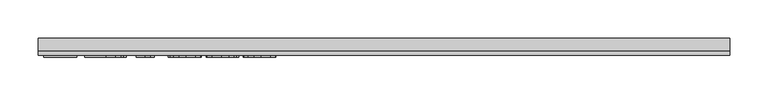
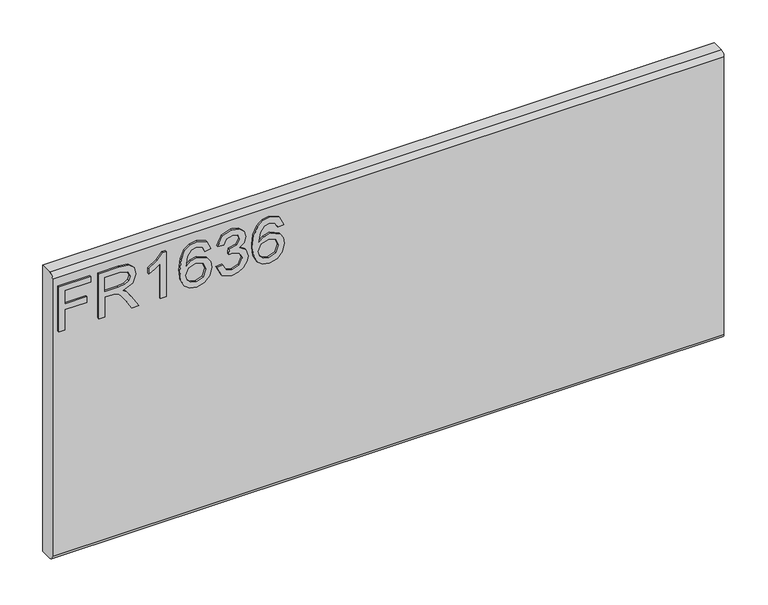
"""IFC4 building model written with IfcOpenShell, lengths in millimetres: furniture geometry."""

from ifc_helpers import new_model, si_unit, frame, origin, place, context, project, spatial, polyline, circle_curve, outline, extrude, source, transform, mapped, element, save
from ifc_brep_helpers import plane_surface, cylinder_surface, advanced_brep


def furniture_faca30ca(model_context):
    return source(origin(), model_context, "Body", "SolidModel", [
        extrude(outline(polyline([(476.25, -443.8729953), (476.25, -435.8992757), (505.1547336, -435.8992757), (505.1547336, -405.9978271), (513.1284532, -405.9978271), (513.1284532, -435.8992757), (532.0660373, -435.8992757), (532.0660373, -401.0142524), (540.0397569, -401.0142524), (540.0397569, -443.8729953), (476.25, -443.8729953)])), frame((0.0, -15.0812439, 0.0), z_axis=(0.0, 1.0, 0.0), x_axis=(0.0, 0.0, 1.0)), (0.0, 0.0, 1.0), 2.38125),
        extrude(outline(polyline([(476.25, -390.0503879), (476.25, -382.0766683), (504.1580187, -382.0766683), (504.1580187, -372.4521395), (503.8776926, -367.8267592), (502.3592596, -364.0345703), (498.22445, -359.8218923), (489.4720468, -353.8260289), (476.25, -345.5252622), (476.25, -336.2589278), (493.536775, -346.8957452), (501.7440996, -353.3588187), (505.1547336, -357.890757), (511.0883023, -344.536334), (522.5816716, -340.2146403), (532.2295609, -342.8232302), (538.3188663, -349.8002349), (540.0397569, -362.5628584), (540.0397569, -390.0503879), (476.25, -390.0503879)]), holes=[polyline([(512.1317383, -382.0766683), (532.0660373, -382.0766683), (532.0660373, -362.2202376), (529.3094975, -351.5600597), (522.2857719, -348.1883599), (516.8739211, -349.9559716), (513.2608294, -355.1264304), (512.1317383, -364.2292412), (512.1317383, -382.0766683)])]), frame((0.0, -15.0812439, 0.0), z_axis=(0.0, 1.0, 0.0), x_axis=(0.0, 0.0, 1.0)), (0.0, 0.0, 1.0), 2.38125),
        extrude(outline(polyline([(476.25, -299.3493273), (540.0397569, -299.3493273), (540.0397569, -304.4886387), (531.5521062, -311.5824459), (524.0923177, -323.2704861), (516.5546609, -323.2704861), (520.5804549, -314.8762774), (525.9611582, -307.3230469), (476.25, -307.3230469), (476.25, -299.3493273)])), frame((0.0, -15.0812439, 0.0), z_axis=(0.0, 1.0, 0.0), x_axis=(0.0, 0.0, 1.0)), (0.0, 0.0, 1.0), 2.38125),
        extrude(outline(polyline([(523.0956028, -239.5464301), (535.538966, -245.4332778), (540.0397569, -258.0323777), (538.2215308, -267.2870318), (532.7668525, -274.4314534), (521.9081103, -279.6642069), (506.0268592, -281.4084581), (491.9015395, -279.837464), (482.4171738, -275.1244818), (477.0442572, -267.9197122), (475.253285, -258.873356), (477.955317, -248.4234227), (485.7421526, -241.1816656), (496.7449512, -238.5497152), (504.9172351, -239.9474522), (511.4309231, -244.1406631), (517.115313, -257.689757), (515.0362279, -266.403226), (508.6743833, -273.4347385), (522.8853582, -271.1687693), (530.1349021, -265.7257713), (532.0660373, -258.5307352), (528.7488454, -250.5414419), (522.0988878, -247.5201497), (523.0956028, -239.5464301)]), holes=[polyline([(496.8695406, -273.4347385), (505.75432, -269.4712392), (509.1415934, -259.8233499), (505.75432, -250.0508713), (496.4801988, -246.5234348), (486.7933754, -250.0975923), (483.2270047, -259.4963028), (484.9478953, -266.6835521), (489.9626174, -271.5892585), (496.8695406, -273.4347385)])]), frame((0.0, -15.0812439, 0.0), z_axis=(0.0, 1.0, 0.0), x_axis=(0.0, 0.0, 1.0)), (0.0, 0.0, 1.0), 2.38125),
        extrude(outline(polyline([(493.1941542, -231.5727105), (480.2524335, -225.2342264), (475.253285, -211.2490697), (476.7172101, -202.7263782), (481.1089854, -195.8155616), (487.6032063, -191.2369023), (495.3744681, -189.7106825), (505.7465331, -192.763122), (511.197318, -201.4532305), (516.4767925, -194.9122887), (523.8275653, -192.7008274), (531.8713664, -195.0290912), (537.8516562, -201.7569171), (540.0397569, -211.373659), (535.6012607, -224.0506273), (523.0956028, -230.5759955), (522.0988878, -222.6022759), (529.5742499, -218.6932845), (532.0660373, -211.093333), (529.5976105, -203.5868235), (523.3603552, -200.674547), (516.3210558, -204.6925541), (514.1251682, -215.0178981), (506.1514486, -215.9055973), (507.0235742, -210.3146494), (503.76089, -201.2507728), (495.5146312, -197.6844021), (486.762228, -201.2819202), (483.2270047, -210.9687436), (485.7966604, -219.1994288), (494.1908691, -223.5989909), (493.1941542, -231.5727105)])), frame((0.0, -15.0812439, 0.0), z_axis=(0.0, 1.0, 0.0), x_axis=(0.0, 0.0, 1.0)), (0.0, 0.0, 1.0), 2.38125),
        extrude(outline(polyline([(523.0956028, -141.8683648), (535.538966, -147.7552125), (540.0397569, -160.3543124), (538.2215308, -169.6089665), (532.7668525, -176.7533881), (521.9081103, -181.9861416), (506.0268592, -183.7303928), (491.9015395, -182.1593987), (482.4171738, -177.4464165), (477.0442572, -170.2416469), (475.253285, -161.1952907), (477.955317, -150.7453573), (485.7421526, -143.5036003), (496.7449512, -140.8716498), (504.9172351, -142.2693868), (511.4309231, -146.4625978), (517.115313, -160.0116917), (515.0362279, -168.7251607), (508.6743833, -175.7566732), (522.8853582, -173.490704), (530.1349021, -168.047706), (532.0660373, -160.8526699), (528.7488454, -152.8633766), (522.0988878, -149.8420844), (523.0956028, -141.8683648)]), holes=[polyline([(496.8695406, -175.7566732), (505.75432, -171.7931739), (509.1415934, -162.1452846), (505.75432, -152.372806), (496.4801988, -148.8453695), (486.7933754, -152.419527), (483.2270047, -161.8182375), (484.9478953, -169.0054867), (489.9626174, -173.9111931), (496.8695406, -175.7566732)])]), frame((0.0, -15.0812439, 0.0), z_axis=(0.0, 1.0, 0.0), x_axis=(0.0, 0.0, 1.0)), (0.0, 0.0, 1.0), 2.38125),
        advanced_brep(
        [(450.85, 9.5250061, 558.8), (450.85, -6.7309939, 558.8), (450.85, -12.6999939, 552.831), (450.85, -12.6999939, 158.369), (450.85, -6.7309939, 152.4), (450.85, 9.5250061, 152.4), (-450.85, 9.5250061, 558.8), (-450.85, 9.5250061, 152.4), (-450.85, -6.7309939, 152.4), (-450.85, -12.6999939, 158.369), (-450.85, -12.6999939, 552.8310121), (-450.85, -6.7309939, 558.8)],
        [
            (0, 1),
            (1, 2, circle_curve(frame((450.85, -6.7309939, 552.831), z_axis=(1.0, 0.0, 0.0), x_axis=(0.0, 1.0, 0.0)), 5.969)),
            (2, 3),
            (3, 4, circle_curve(frame((450.85, -6.7309939, 158.369), z_axis=(1.0, 0.0, 0.0), x_axis=(0.0, 1.0, 0.0)), 5.969)),
            (4, 5),
            (5, 0),
            (6, 7),
            (7, 8),
            (8, 9, circle_curve(frame((-450.85, -6.7309939, 158.369), z_axis=(-1.0, 0.0, 0.0), x_axis=(0.0, 1.0, 0.0)), 5.969)),
            (9, 10),
            (10, 11, circle_curve(frame((-450.85, -6.7309939, 552.831), z_axis=(-1.0, 0.0, 0.0), x_axis=(0.0, 1.0, 0.0)), 5.969)),
            (11, 6),
            (0, 6),
            (11, 1),
            (10, 2),
            (9, 3),
            (8, 4),
            (7, 5),
        ],
        [
            plane_surface(frame((450.85, -6.7309939, 558.8), z_axis=(1.0, 0.0, 0.0), x_axis=(0.0, -1.0, 0.0))),
            plane_surface(frame((-450.85, -6.7309939, 558.8), z_axis=(-1.0, 0.0, 0.0), x_axis=(0.0, 1.0, 0.0))),
            plane_surface(frame((450.85, 9.5250061, 558.8), z_axis=(0.0, 0.0, 1.0), x_axis=(-1.0, 0.0, 0.0))),
            cylinder_surface(frame((-450.85, -6.7309939, 552.831), z_axis=(1.0, 0.0, 0.0), x_axis=(0.0, 1.0, 0.0)), 5.969),
            plane_surface(frame((450.85, -12.6999939, 552.8310121), z_axis=(0.0, -1.0, 0.0), x_axis=(-1.0, 0.0, 0.0))),
            cylinder_surface(frame((-450.85, -6.7309939, 158.369), z_axis=(1.0, 0.0, 0.0), x_axis=(0.0, 1.0, 0.0)), 5.969),
            plane_surface(frame((450.85, -6.7309939, 152.4), z_axis=(0.0, 0.0, -1.0), x_axis=(-1.0, 0.0, 0.0))),
            plane_surface(frame((450.85, 9.5250061, 152.4), z_axis=(0.0, 1.0, 0.0), x_axis=(-1.0, 0.0, 0.0))),
        ],
        [
            (0, [[1, 2, 3, 4, 5, 6]]),
            (1, [[7, 8, 9, 10, 11, 12]]),
            (2, [[-1, 13, -12, 14]]),
            (3, [[-2, -14, -11, 15]]),
            (4, [[-3, -15, -10, 16]]),
            (5, [[-4, -16, -9, 17]]),
            (6, [[-5, -17, -8, 18]]),
            (7, [[-6, -18, -7, -13]]),
        ],
    ),
    ])


if __name__ == "__main__":
    model = new_model("IFC4")
    model_context = context("Model", 3, world=origin())
    ifc_project = project(units=[si_unit("LENGTHUNIT", "METRE", prefix="MILLI")], contexts=[model_context])
    site = spatial("IfcSite", under=ifc_project)
    building = spatial("IfcBuilding", under=site)
    placement = place(None, origin())
    furniture_shape = furniture_faca30ca(model_context)
    element("IfcFurniture", 1, at=placement, inside=building, context=model_context, shape_type="MappedRepresentation", body=[
        mapped(furniture_shape, transform((0.0, 0.0, 0.0), x_axis=(1.0, 0.0, 0.0), y_axis=(0.0, 1.0, 0.0), z_axis=(0.0, 0.0, 1.0))),
    ])
    save(model, "model.ifc")
